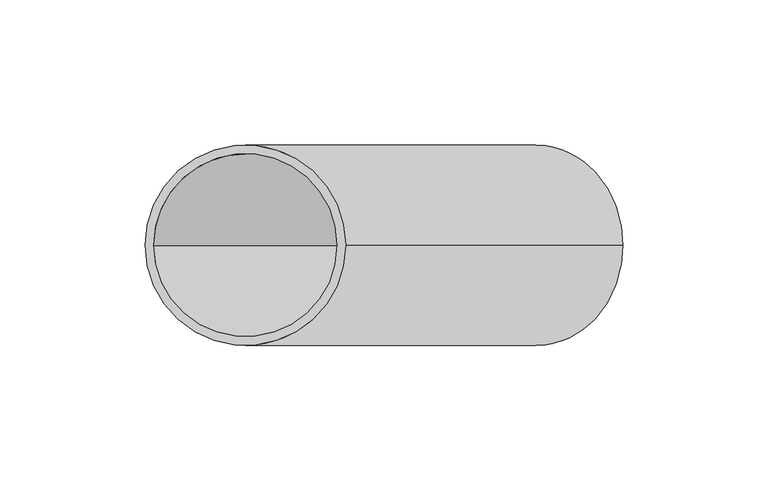
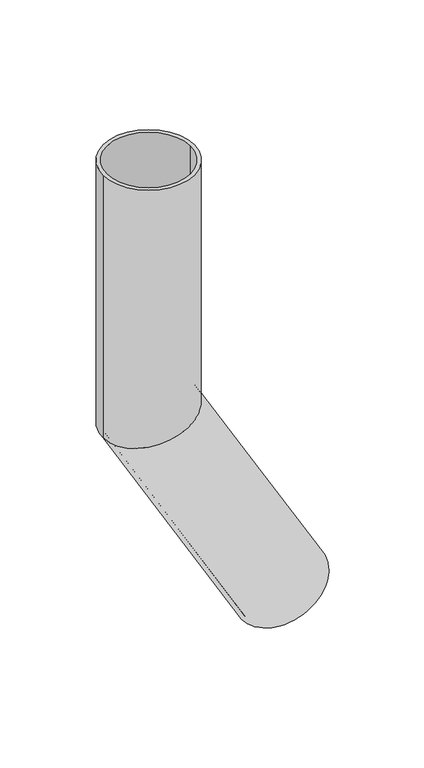
"""IFC4 building model written with IfcOpenShell, lengths in millimetres: beam geometry."""

from ifc_helpers import new_model, si_unit, frame, origin, place, context, project, spatial, polyline, circle_curve, ellipse_curve, source, transform, mapped, element, save
from ifc_brep_helpers import plane_surface, cylinder_surface, revolved_surface, advanced_brep


def beam_ba155e9b(model_context):
    return source(origin(), model_context, "Body", "AdvancedBrep", [
        advanced_brep(
        [(129.8778764, 0.0, -355.9550808), (70.1221236, 0.0, -390.4550808), (127.2798002, 0.0, -357.4550808), (72.7201998, 0.0, -388.9550808), (34.5, 0.0, 0.0), (-34.5, 0.0, 0.0), (31.5, 0.0, 0.0), (-31.5, 0.0, 0.0), (31.5, 0.0, -191.5596004), (0.0, -31.5, -200.0), (-31.5, 0.0, -208.4403996), (0.0, 31.5, -200.0), (34.5, 0.0, -190.7557529), (-34.5, 0.0, -209.2442471)],
        [
            (0, 1, circle_curve(frame((100.0, 0.0, -373.2050808), z_axis=(0.5000000000000633, 0.0, -0.8660254037844022), x_axis=(-0.8660254037844022, 0.0, -0.5000000000000633)), 34.5)),
            (1, 0, circle_curve(frame((100.0, 0.0, -373.2050808), z_axis=(0.5000000000000633, 0.0, -0.8660254037844022), x_axis=(-0.8660254037844022, 0.0, -0.5000000000000633)), 34.5)),
            (2, 3, circle_curve(frame((100.0, 0.0, -373.2050808), z_axis=(-0.5000000000000633, 0.0, 0.8660254037844022), x_axis=(-0.8660254037844022, 0.0, -0.5000000000000633)), 31.5)),
            (3, 2, circle_curve(frame((100.0, 0.0, -373.2050808), z_axis=(-0.5000000000000633, 0.0, 0.8660254037844022), x_axis=(-0.8660254037844022, 0.0, -0.5000000000000633)), 31.5)),
            (4, 5, circle_curve(frame((0.0, 0.0, 0.0), z_axis=(0.0, 0.0, 1.0), x_axis=(-1.0, 0.0, 0.0)), 34.5)),
            (5, 4, circle_curve(frame((0.0, 0.0, 0.0), z_axis=(0.0, 0.0, 1.0), x_axis=(-1.0, 0.0, 0.0)), 34.5)),
            (6, 7, circle_curve(frame((0.0, 0.0, 0.0), z_axis=(0.0, 0.0, -1.0), x_axis=(-1.0, 0.0, 0.0)), 31.5)),
            (7, 6, circle_curve(frame((0.0, 0.0, 0.0), z_axis=(0.0, 0.0, -1.0), x_axis=(-1.0, 0.0, 0.0)), 31.5)),
            (6, 8),
            (8, 9, ellipse_curve(frame((0.0, 0.0, -200.0), z_axis=(0.25881904510255604, 0.0, -0.9659258262890589), x_axis=(0.9659258262890589, 0.0, 0.25881904510255593)), 32.6111997, 31.5)),
            (9, 10, ellipse_curve(frame((0.0, 0.0, -200.0), z_axis=(0.25881904510255604, 0.0, -0.9659258262890589), x_axis=(0.9659258262890589, 0.0, 0.25881904510255593)), 32.6111997, 31.5)),
            (10, 7),
            (10, 11, ellipse_curve(frame((0.0, 0.0, -200.0), z_axis=(0.25881904510255604, 0.0, -0.9659258262890589), x_axis=(0.9659258262890589, 0.0, 0.25881904510255593)), 32.6111997, 31.5)),
            (11, 8, ellipse_curve(frame((0.0, 0.0, -200.0), z_axis=(0.25881904510255604, 0.0, -0.9659258262890589), x_axis=(0.9659258262890589, 0.0, 0.25881904510255593)), 32.6111997, 31.5)),
            (4, 12),
            (12, 13, ellipse_curve(frame((0.0, 0.0, -200.0), z_axis=(-0.25881904510255604, 0.0, 0.9659258262890589), x_axis=(-0.9659258262890589, 0.0, -0.25881904510255593)), 35.7170282, 34.5)),
            (13, 5),
            (13, 12, ellipse_curve(frame((0.0, 0.0, -200.0), z_axis=(-0.25881904510255604, 0.0, 0.9659258262890589), x_axis=(-0.9659258262890589, 0.0, -0.25881904510255593)), 35.7170282, 34.5)),
            (2, 8),
            (10, 3),
            (0, 12),
            (13, 1),
        ],
        [
            plane_surface(frame((100.0, 0.0, -373.2050808), z_axis=(0.5000000000000633, 0.0, -0.8660254037844022), x_axis=(0.0, -1.0, 0.0))),
            plane_surface(frame((0.0, 0.0, 0.0), z_axis=(0.0, 0.0, 1.0), x_axis=(0.0, -1.0, 0.0))),
            revolved_surface(polyline([(-31.5, 0.0, 0.0), (-31.5, 0.0, -208.4403996)]), (0.0, 0.0, -200.0), (0.0, 0.0, 1.0)),
            cylinder_surface(frame((0.0, 0.0, -200.0), z_axis=(0.0, 0.0, -1.0), x_axis=(-1.0, 0.0, 0.0)), 34.5),
            revolved_surface(polyline([(-31.500000020891406, 0.0, -208.4403995685381), (72.72019978559264, 0.0, -388.9550808083181)]), (100.0, 0.0, -373.2050808), (-0.5000000000000633, 0.0, 0.8660254037844022)),
            cylinder_surface(frame((100.0, 0.0, -373.2050808), z_axis=(0.5000000000000633, 0.0, -0.8660254037844022), x_axis=(-0.8660254037844022, 0.0, -0.5000000000000633)), 34.5),
        ],
        [
            (0, [[1, 2], [3, 4]]),
            (1, [[5, 6], [7, 8]]),
            (2, [[-7, 9, 10, 11, 12]]),
            (2, [[-8, -12, 13, 14, -9]]),
            (3, [[-5, 15, 16, 17]]),
            (3, [[-6, -17, 18, -15]]),
            (4, [[-3, 19, -14, -13, 20]]),
            (4, [[-4, -20, -11, -10, -19]]),
            (5, [[-1, 21, -18, 22]]),
            (5, [[-2, -22, -16, -21]]),
        ],
    ),
    ])


if __name__ == "__main__":
    model = new_model("IFC4")
    model_context = context("Model", 3, world=origin())
    ifc_project = project(units=[si_unit("LENGTHUNIT", "METRE", prefix="MILLI")], contexts=[model_context])
    site = spatial("IfcSite", under=ifc_project)
    building = spatial("IfcBuilding", under=site)
    placement = place(None, origin())
    beam_shape = beam_ba155e9b(model_context)
    element("IfcBeam", 1, at=placement, inside=building, context=model_context, shape_type="MappedRepresentation", body=[
        mapped(beam_shape, transform((0.0, 0.0, 0.0), x_axis=(1.0, 0.0, 0.0), y_axis=(0.0, 1.0, 0.0), z_axis=(0.0, 0.0, 1.0))),
    ])
    save(model, "model.ifc")
